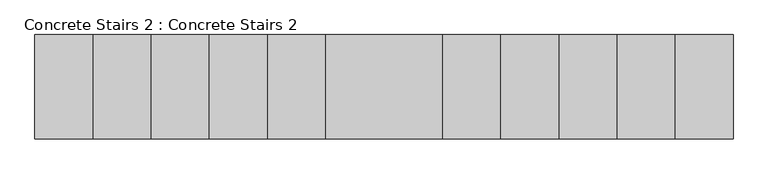
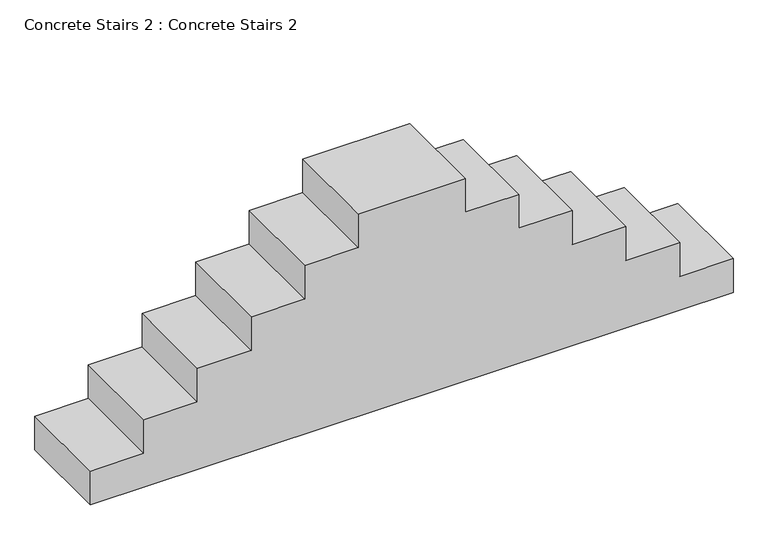
"""IFC4 building model written with IfcOpenShell, lengths in millimetres: proxy geometry, Concrete Stairs 2 : Concrete Stairs 2."""

from ifc_helpers import new_model, si_unit, frame, origin, place, context, project, spatial, polyline, outline, extrude, source, transform, mapped, element, save


def concrete_stairs_2_concrete_stairs_2_c4db4147(model_context):
    return source(origin(), model_context, "Body", "SweptSolid", [
        extrude(outline(polyline([(0.0, 264988.0084669), (406.4, 264988.0084669), (406.4, 264378.4084669), (812.8, 264378.4084669), (812.8, 263768.8084669), (1219.2, 263768.8084669), (1219.2, 263159.2084669), (1625.6, 263159.2084669), (1625.6, 262549.6084669), (2032.0, 262549.6084669), (2032.0, 261940.0084669), (2438.4, 261940.0084669), (2438.4, 260720.8084669), (2032.0, 260720.8084669), (2032.0, 260111.2084669), (1625.6, 260111.2084669), (1625.6, 259501.6084669), (1219.2, 259501.6084669), (1219.2, 258892.0084669), (812.8, 258892.0084669), (812.8, 258282.4084669), (406.4, 258282.4084669), (406.4, 257672.8084669), (0.0, 257672.8084669), (0.0, 264988.0084669)])), frame((0.0, -33020.611607, 0.0), z_axis=(0.0, 1.0, 0.0), x_axis=(0.0, 0.0, 1.0)), (0.0, 0.0, 1.0), 1092.2),
    ])


if __name__ == "__main__":
    model = new_model("IFC4")
    model_context = context("Model", 3, world=origin())
    ifc_project = project(units=[si_unit("LENGTHUNIT", "METRE", prefix="MILLI")], contexts=[model_context])
    site = spatial("IfcSite", under=ifc_project)
    building = spatial("IfcBuilding", under=site)
    placement = place(None, origin())
    concrete_stairs_2_concrete_stairs_2_shape = concrete_stairs_2_concrete_stairs_2_c4db4147(model_context)
    element("IfcBuildingElementProxy", 1, Name="Concrete Stairs 2 : Concrete Stairs 2", ObjectType="Concrete Stairs 2 : Concrete Stairs 2", at=placement, inside=building, context=model_context, shape_type="MappedRepresentation", body=[
        mapped(concrete_stairs_2_concrete_stairs_2_shape, transform((0.0, 0.0, 0.0), x_axis=(1.0, 0.0, 0.0), y_axis=(0.0, 1.0, 0.0), z_axis=(0.0, 0.0, 1.0))),
    ])
    save(model, "model.ifc")
